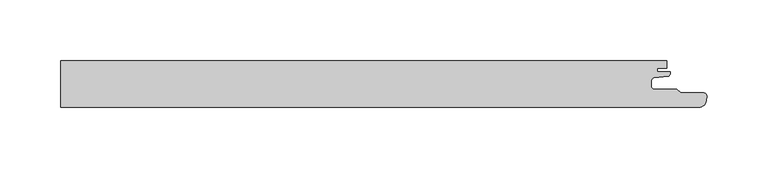
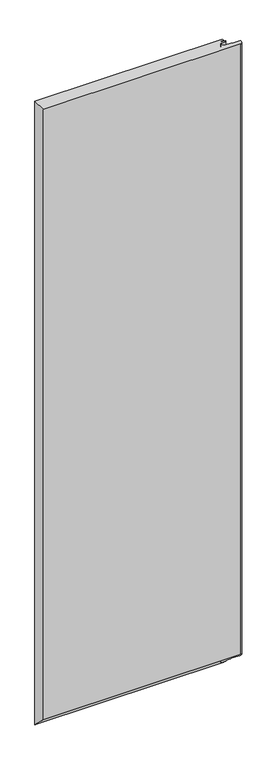
"""IFC4 building model written with IfcOpenShell, lengths in millimetres: proxy geometry."""

from ifc_helpers import new_model, si_unit, frame, origin, place, context, project, spatial, polyline, circle_curve, ellipse_curve, source, transform, mapped, element, save
from ifc_brep_helpers import plane_surface, cylinder_surface, revolved_surface, advanced_brep


def generic_models_5dac9f82(model_context):
    return source(origin(), model_context, "Body", "AdvancedBrep", [
        advanced_brep(
        [(484.3298107, -1.8000001, 1750.0), (484.3298107, 2.7224763, 1750.0), (486.6119534, 5.2129632, 1750.0), (498.354128, 6.2402726, 1750.0), (499.9, 8.6411684, 1750.0), (499.9, 10.0000004, 1750.0), (489.1798407, 10.0000004, 1750.0), (489.1798407, 13.0, 1750.0), (497.1797973, 13.0, 1750.0), (497.1797973, 19.0, 1750.0), (0.0, 19.0, 1750.0), (0.0, -19.0, 1750.0), (523.545754, -19.0, 1750.0), (529.0259034, -15.1970619, 1750.0), (530.1174781, -10.8771031, 1750.0), (527.5001275, -7.3, 1750.0), (508.408237, -7.3, 1750.0), (505.4082234, -4.2999995, 1750.0), (486.8298083, -4.2999995, 1750.0), (498.354128, 6.2402726, 13.4321149), (499.9, 8.6411684, 11.0883832), (486.8298083, -4.2999995, 23.7214281), (484.3298107, -1.8000001, 21.2809524), (505.4082234, -4.2999995, 23.7214281), (508.408237, -7.3, 26.65), (527.5001275, -7.3, 26.65), (530.1174781, -10.8771031, 30.141934), (529.0259034, -15.1970619, 34.3590366), (523.545754, -19.0, 38.0714286), (0.0, -19.0, 38.0714286), (497.1797973, 19.0, 0.9761905), (0.0, 19.0, 0.9761905), (497.1797973, 13.0, 6.8333334), (489.1798407, 13.0, 6.8333334), (489.1798407, 10.0000004, 9.7619044), (499.9, 10.0000004, 9.7619044), (486.6119534, 5.2129632, 14.4349645), (484.3298107, 2.7224763, 16.8661541)],
        [
            (0, 1),
            (1, 2, circle_curve(frame((487.1582199, 2.4215379, 1750.0), z_axis=(0.0, 0.0, -1.0), x_axis=(1.0, 0.0, 0.0)), 2.8443739)),
            (2, 3),
            (3, 4, circle_curve(frame((497.0478272, 8.7794849, 1750.0), z_axis=(0.0, 0.0, 1.0), x_axis=(1.0, 0.0, 0.0)), 2.8555247)),
            (4, 5),
            (5, 6),
            (6, 7),
            (7, 8),
            (8, 9),
            (9, 10),
            (10, 11),
            (11, 12),
            (12, 13, circle_curve(frame((523.545754, -13.15, 1750.0), z_axis=(0.0, 0.0, 1.0), x_axis=(1.0, 0.0, 0.0)), 5.85)),
            (13, 14),
            (14, 15, circle_curve(frame((527.1899828, -10.273035, 1750.0), z_axis=(0.0, 0.0, 1.0), x_axis=(1.0, 0.0, 0.0)), 2.9891683)),
            (15, 16),
            (16, 17),
            (17, 18),
            (18, 0, circle_curve(frame((486.8260066, -1.8038036, 1750.0), z_axis=(0.0, 0.0, -1.0), x_axis=(1.0, 0.0, 0.0)), 2.4961988)),
            (3, 19),
            (19, 20, ellipse_curve(frame((497.0478272, 8.7794849, 10.9533599), z_axis=(0.0, 0.6985367247883953, 0.7155742058807749), x_axis=(0.0, -0.715574205880775, 0.6985367247883953)), 3.990536, 2.8555247)),
            (20, 4),
            (18, 21),
            (21, 22, ellipse_curve(frame((486.8260066, -1.8038036, 21.2846654), z_axis=(0.0, -0.6985367247883953, -0.7155742058807749), x_axis=(0.0, 0.715574205880775, -0.6985367247883953)), 3.4883857, 2.4961988)),
            (22, 0),
            (17, 23),
            (23, 21),
            (16, 24),
            (24, 23),
            (15, 25),
            (25, 24),
            (14, 26),
            (26, 25, ellipse_curve(frame((527.1899828, -10.273035, 29.5522485), z_axis=(0.0, 0.6985367247883953, 0.7155742058807749), x_axis=(0.0, -0.715574205880775, 0.6985367247883953)), 4.1773002, 2.9891683)),
            (13, 27),
            (27, 26),
            (12, 28),
            (28, 27, ellipse_curve(frame((523.545754, -13.15, 32.3607143), z_axis=(0.0, 0.6985367247883953, 0.7155742058807749), x_axis=(0.0, -0.715574205880775, 0.6985367247883953)), 8.1752527, 5.85)),
            (11, 29),
            (29, 28),
            (30, 31),
            (31, 10),
            (9, 30),
            (8, 32),
            (32, 30),
            (7, 33),
            (33, 32),
            (6, 34),
            (34, 33),
            (5, 35),
            (35, 34),
            (20, 35),
            (2, 36),
            (36, 19),
            (1, 37),
            (37, 36, ellipse_curve(frame((487.1582199, 2.4215379, 17.1599273), z_axis=(0.0, -0.6985367247883953, -0.7155742058807749), x_axis=(0.0, 0.715574205880775, -0.6985367247883953)), 3.974953, 2.8443739)),
            (22, 37),
            (29, 31),
        ],
        [
            plane_surface(frame((489.3222054, -1.8038036, 1750.0), z_axis=(0.0, 0.0, 1.0), x_axis=(0.0, 1.0, 0.0))),
            cylinder_surface(frame((497.0478272, 8.7794849, 0.0), z_axis=(0.0, 0.0, 1.0), x_axis=(1.0, 0.0, 0.0)), 2.8555247),
            revolved_surface(polyline([(489.32220540000003, -1.8038036, 18.84789987832333), (489.32220540000003, -1.8038036, 1750.0)]), (486.8260066, -1.8038036, 0.0), (0.0, 0.0, -1.0)),
            plane_surface(frame((486.8298083, -4.2999995, 1750.0), z_axis=(0.0, 1.0, 0.0), x_axis=(0.0, 0.0, -1.0))),
            plane_surface(frame((505.4082234, -4.2999995, 1750.0), z_axis=(0.7071052289837289, 0.707108333385959, 0.0), x_axis=(0.0, 0.0, -1.0))),
            plane_surface(frame((508.408237, -7.3, 1750.0), z_axis=(0.0, 1.0, 0.0), x_axis=(0.0, 0.0, -1.0))),
            cylinder_surface(frame((527.1899828, -10.273035, 0.0), z_axis=(0.0, 0.0, 1.0), x_axis=(1.0, 0.0, 0.0)), 2.9891683),
            plane_surface(frame((530.1174781, -10.8771031, 1750.0), z_axis=(0.9695276443999398, -0.24498193146496328, 0.0), x_axis=(0.0, 0.0, -1.0))),
            cylinder_surface(frame((523.545754, -13.15, 0.0), z_axis=(0.0, 0.0, 1.0), x_axis=(1.0, 0.0, 0.0)), 5.85),
            plane_surface(frame((523.545754, -19.0, 1750.0), z_axis=(0.0, -1.0, 0.0), x_axis=(0.0, 0.0, -1.0))),
            plane_surface(frame((-496.8201817, 19.0, 1750.0), z_axis=(0.0, 1.0, 0.0), x_axis=(0.0, 0.0, -1.0))),
            plane_surface(frame((497.1797973, 19.0, 1750.0), z_axis=(1.0, 0.0, 0.0), x_axis=(0.0, 0.0, -1.0))),
            plane_surface(frame((497.1797973, 13.0, 1750.0), z_axis=(0.0, -1.0, 0.0), x_axis=(0.0, 0.0, -1.0))),
            plane_surface(frame((489.1798407, 13.0, 1750.0), z_axis=(1.0, 0.0, 0.0), x_axis=(0.0, 0.0, -1.0))),
            plane_surface(frame((489.1798407, 10.0000004, 1750.0), z_axis=(0.0, 1.0, 0.0), x_axis=(0.0, 0.0, -1.0))),
            plane_surface(frame((499.9, 10.0000004, 1750.0), z_axis=(1.0, 0.0, 0.0), x_axis=(0.0, 0.0, -1.0))),
            plane_surface(frame((498.354128, 6.2402726, 1750.0), z_axis=(0.08715592552603066, -0.9961946821006932, 0.0), x_axis=(0.0, 0.0, -1.0))),
            revolved_surface(polyline([(490.0025938, 2.4215379, 14.383276650192194), (490.0025938, 2.4215379, 1750.0)]), (487.1582199, 2.4215379, 0.0), (0.0, 0.0, -1.0)),
            plane_surface(frame((484.3298107, 2.7224763, 1750.0), z_axis=(1.0, 0.0, 0.0), x_axis=(0.0, 0.0, -1.0))),
            plane_surface(frame((589.1510425, -22.0, 41.0), z_axis=(0.0, -0.6985367247883953, -0.7155742058807749), x_axis=(-1.0, 0.0, 0.0))),
            plane_surface(frame((0.0, 19.2, 1750.0), z_axis=(-1.0, 0.0, 0.0), x_axis=(0.0, 0.0, -1.0))),
        ],
        [
            (0, [[1, 2, 3, 4, 5, 6, 7, 8, 9, 10, 11, 12, 13, 14, 15, 16, 17, 18, 19]]),
            (1, [[20, 21, 22, -4]]),
            (2, [[23, 24, 25, -19]]),
            (3, [[26, 27, -23, -18]]),
            (4, [[28, 29, -26, -17]]),
            (5, [[30, 31, -28, -16]]),
            (6, [[32, 33, -30, -15]]),
            (7, [[34, 35, -32, -14]]),
            (8, [[36, 37, -34, -13]]),
            (9, [[-12, 38, 39, -36]]),
            (10, [[40, 41, -10, 42]]),
            (11, [[43, 44, -42, -9]]),
            (12, [[45, 46, -43, -8]]),
            (13, [[47, 48, -45, -7]]),
            (14, [[49, 50, -47, -6]]),
            (15, [[-22, 51, -49, -5]]),
            (16, [[52, 53, -20, -3]]),
            (17, [[54, 55, -52, -2]]),
            (18, [[-25, 56, -54, -1]]),
            (19, [[-27, -29, -31, -33, -35, -37, -39, 57, -40, -44, -46, -48, -50, -51, -21, -53, -55, -56, -24]]),
            (20, [[-41, -57, -38, -11]]),
        ],
    ),
    ])


if __name__ == "__main__":
    model = new_model("IFC4")
    model_context = context("Model", 3, world=origin())
    ifc_project = project(units=[si_unit("LENGTHUNIT", "METRE", prefix="MILLI")], contexts=[model_context])
    site = spatial("IfcSite", under=ifc_project)
    building = spatial("IfcBuilding", under=site)
    placement = place(None, origin())
    generic_models_shape = generic_models_5dac9f82(model_context)
    element("IfcBuildingElementProxy", 1, Name="Generic Models", at=placement, inside=building, context=model_context, shape_type="MappedRepresentation", body=[
        mapped(generic_models_shape, transform((0.0, 0.0, 0.0), x_axis=(1.0, 0.0, 0.0), y_axis=(0.0, 1.0, 0.0), z_axis=(0.0, 0.0, 1.0))),
    ])
    save(model, "model.ifc")
